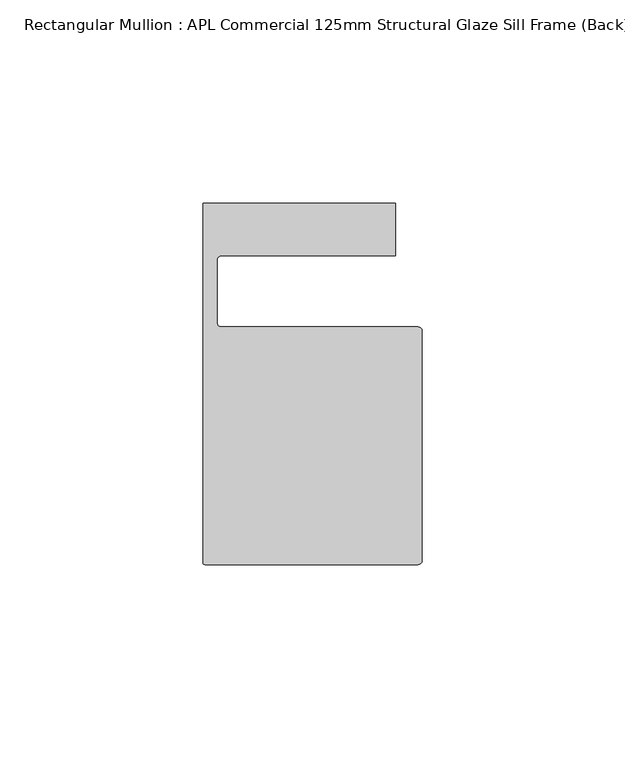
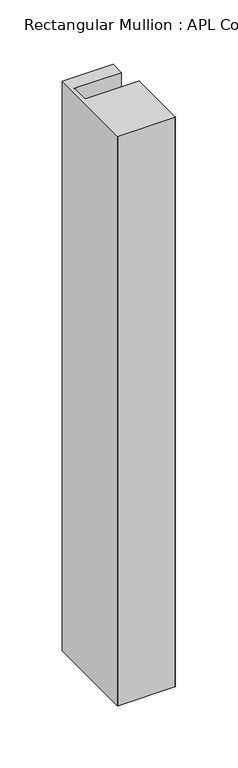
"""IFC4 building model written with IfcOpenShell, lengths in millimetres: member geometry, Rectangular Mullion : APL Commercial 125mm Structural Glaze Sill Frame (Back)."""

from ifc_helpers import new_model, si_unit, frame, origin, place, context, project, spatial, polyline, circle_curve, source, transform, mapped, element, save
from ifc_brep_helpers import plane_surface, cylinder_surface, revolved_surface, advanced_brep


def rectangular_mullion_apl_commercial_125mm_structural_glaze_6c6f359f(model_context):
    return source(origin(), model_context, "Body", "AdvancedBrep", [
        advanced_brep(
        [(-53.5000029, -104.0, 0.0), (-1.0000025, -104.0, 0.0), (-2.5e-06, -103.0, 0.0), (0.0, -46.5010268, 0.0), (-1.0, -45.5010268, 0.0), (-49.5000004, -45.5010268, 0.0), (-50.5000004, -44.5010268, 0.0), (-50.5000029, -29.0004332, 0.0), (-49.5000029, -28.0004332, 0.0), (-6.5000029, -28.0004332, 0.0), (-6.5000029, -15.0004332, 0.0), (-54.0000029, -15.0004332, 0.0), (-54.0000029, -103.5, 0.0), (-53.5000029, -104.0, -559.2000713), (-54.0000029, -103.5, -559.2000713), (-54.0000029, -15.0004332, -559.2000713), (-6.5000029, -15.0004332, -559.2000713), (-6.5000029, -28.0004332, -559.2000713), (-49.5000029, -28.0004332, -559.2000713), (-50.5000029, -29.0004332, -559.2000713), (-50.5000029, -44.5010268, -559.2000713), (-49.5000004, -45.5010268, -559.2000713), (-1.0, -45.5010268, -559.2000713), (0.0, -46.5010268, -559.2000713), (0.0, -103.0, -559.2000713), (-1.0000025, -104.0, -559.2000713)],
        [
            (0, 1),
            (1, 2, circle_curve(frame((-1.0000025, -103.0, 0.0), z_axis=(0.0, 0.0, 1.0), x_axis=(0.9999999999996143, -8.78371761103865e-07, 0.0)), 1.0)),
            (2, 3),
            (3, 4, circle_curve(frame((-1.0, -46.5010268, 0.0), z_axis=(0.0, 0.0, 1.0), x_axis=(0.0, 1.0, 0.0)), 1.0)),
            (4, 5),
            (5, 6, circle_curve(frame((-49.5000004, -44.5010268, 0.0), z_axis=(0.0, 0.0, -1.0), x_axis=(-0.9999999999998819, -4.863123717036027e-07, 0.0)), 1.0)),
            (6, 7),
            (7, 8, circle_curve(frame((-49.5000029, -29.0004332, 0.0), z_axis=(0.0, 0.0, -1.0), x_axis=(0.0, 1.0, 0.0)), 1.0)),
            (8, 9),
            (9, 10),
            (10, 11),
            (11, 12),
            (12, 0, circle_curve(frame((-53.5000029, -103.5, 0.0), z_axis=(0.0, 0.0, 1.0), x_axis=(0.0, -1.0, 0.0)), 0.5)),
            (13, 14, circle_curve(frame((-53.5000029, -103.5, -559.2000713), z_axis=(0.0, 0.0, -1.0), x_axis=(0.0, -1.0, 0.0)), 0.5)),
            (14, 15),
            (15, 16),
            (16, 17),
            (17, 18),
            (18, 19, circle_curve(frame((-49.5000029, -29.0004332, -559.2000713), z_axis=(0.0, 0.0, 1.0), x_axis=(0.0, 1.0, 0.0)), 1.0)),
            (19, 20),
            (20, 21, circle_curve(frame((-49.5000004, -44.5010268, -559.2000713), z_axis=(0.0, 0.0, 1.0), x_axis=(-0.9999999999998819, -4.863123717036027e-07, 0.0)), 1.0)),
            (21, 22),
            (22, 23, circle_curve(frame((-1.0, -46.5010268, -559.2000713), z_axis=(0.0, 0.0, -1.0), x_axis=(0.0, 1.0, 0.0)), 1.0)),
            (23, 24),
            (24, 25, circle_curve(frame((-1.0000025, -103.0, -559.2000713), z_axis=(0.0, 0.0, -1.0), x_axis=(0.9999999999996143, -8.78371761103865e-07, 0.0)), 1.0)),
            (25, 13),
            (0, 13),
            (25, 1),
            (24, 2),
            (23, 3),
            (22, 4),
            (21, 5),
            (20, 6),
            (19, 7),
            (18, 8),
            (17, 9),
            (16, 10),
            (15, 11),
            (14, 12),
        ],
        [
            plane_surface(frame((0.0, -116.986179, 0.0), z_axis=(0.0, 0.0, 1.0), x_axis=(-1.0, 0.0, 0.0))),
            plane_surface(frame((0.0, -116.986179, -559.2000713), z_axis=(0.0, 0.0, -1.0), x_axis=(-1.0, 0.0, 0.0))),
            plane_surface(frame((-53.5000029, -104.0, 0.0), z_axis=(0.0, -1.0, 0.0), x_axis=(0.0, 0.0, -1.0))),
            cylinder_surface(frame((-1.0000025, -103.0, 0.0), z_axis=(0.0, 0.0, 1.0000000000000002), x_axis=(0.9999999999996143, -8.78371761103865e-07, 0.0)), 1.0),
            plane_surface(frame((0.0, -103.0, 0.0), z_axis=(1.0, 0.0, 0.0), x_axis=(0.0, 0.0, -1.0))),
            cylinder_surface(frame((-1.0, -46.5010268, 0.0), z_axis=(0.0, 0.0, 1.0), x_axis=(0.0, 1.0, 0.0)), 1.0),
            plane_surface(frame((-1.0, -45.5010268, 0.0), z_axis=(0.0, 1.0, 0.0), x_axis=(0.0, 0.0, -1.0))),
            revolved_surface(polyline([(-50.50000039999988, -44.50102728631237, -559.2000713000002), (-50.50000039999988, -44.50102728631237, 0.0)]), (-49.5000004, -44.5010268, 0.0), (0.0, 0.0, -1.0000000000000002)),
            plane_surface(frame((-50.5000029, -44.5010268, 0.0), z_axis=(1.0, 0.0, 0.0), x_axis=(0.0, 0.0, -1.0))),
            revolved_surface(polyline([(-49.5000029, -28.0004332, -559.2000713), (-49.5000029, -28.0004332, 0.0)]), (-49.5000029, -29.0004332, 0.0), (0.0, 0.0, -1.0)),
            plane_surface(frame((-49.5000029, -28.0004332, 0.0), z_axis=(0.0, -1.0, 0.0), x_axis=(0.0, 0.0, -1.0))),
            plane_surface(frame((-6.5000029, -28.0004332, 0.0), z_axis=(1.0, 0.0, 0.0), x_axis=(0.0, 0.0, -1.0))),
            plane_surface(frame((-6.5000029, -15.0004332, 0.0), z_axis=(0.0, 1.0, 0.0), x_axis=(0.0, 0.0, -1.0))),
            plane_surface(frame((-54.0000029, -15.0004332, 0.0), z_axis=(-1.0, 0.0, 0.0), x_axis=(0.0, 0.0, -1.0))),
            cylinder_surface(frame((-53.5000029, -103.5, 0.0), z_axis=(0.0, 0.0, 1.0), x_axis=(0.0, -1.0, 0.0)), 0.5),
        ],
        [
            (0, [[1, 2, 3, 4, 5, 6, 7, 8, 9, 10, 11, 12, 13]]),
            (1, [[14, 15, 16, 17, 18, 19, 20, 21, 22, 23, 24, 25, 26]]),
            (2, [[-1, 27, -26, 28]]),
            (3, [[-2, -28, -25, 29]]),
            (4, [[-3, -29, -24, 30]]),
            (5, [[-4, -30, -23, 31]]),
            (6, [[-5, -31, -22, 32]]),
            (7, [[-6, -32, -21, 33]]),
            (8, [[-7, -33, -20, 34]]),
            (9, [[-8, -34, -19, 35]]),
            (10, [[-9, -35, -18, 36]]),
            (11, [[-10, -36, -17, 37]]),
            (12, [[-11, -37, -16, 38]]),
            (13, [[-12, -38, -15, 39]]),
            (14, [[-13, -39, -14, -27]]),
        ],
    ),
    ])


if __name__ == "__main__":
    model = new_model("IFC4")
    model_context = context("Model", 3, world=origin())
    ifc_project = project(units=[si_unit("LENGTHUNIT", "METRE", prefix="MILLI")], contexts=[model_context])
    site = spatial("IfcSite", under=ifc_project)
    building = spatial("IfcBuilding", under=site)
    placement = place(None, origin())
    rectangular_mullion_apl_commercial_125mm_structural_glaze_shape = rectangular_mullion_apl_commercial_125mm_structural_glaze_6c6f359f(model_context)
    element("IfcMember", 1, ObjectType="Rectangular Mullion : APL Commercial 125mm Structural Glaze Sill Frame (Back)", at=placement, inside=building, context=model_context, shape_type="MappedRepresentation", body=[
        mapped(rectangular_mullion_apl_commercial_125mm_structural_glaze_shape, transform((0.0, 0.0, 0.0), x_axis=(1.0, 0.0, 0.0), y_axis=(0.0, 1.0, 0.0), z_axis=(0.0, 0.0, 1.0))),
    ])
    save(model, "model.ifc")
